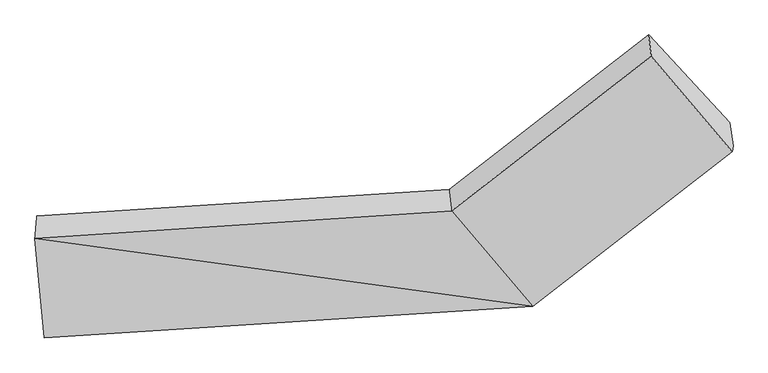
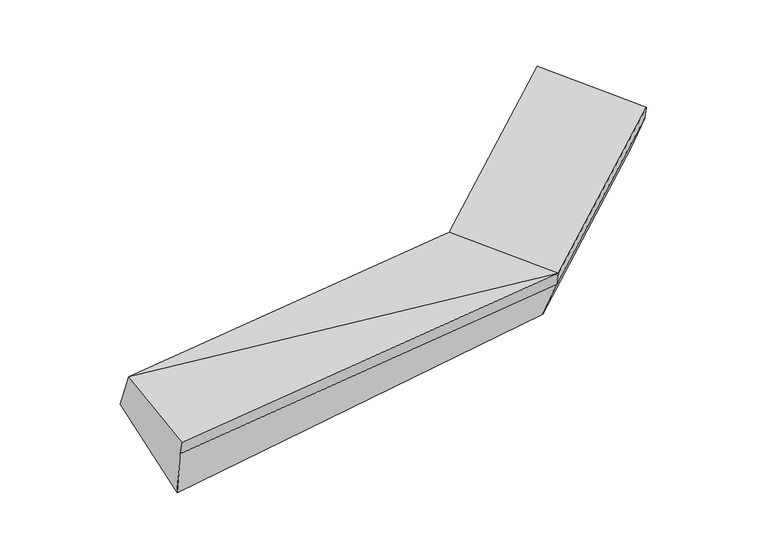
"""IFC4 building model written with IfcOpenShell, lengths in millimetres: proxy geometry."""

import ifcopenshell
import ifcopenshell.guid

model = None  # the IFC model being written
_history = None  # IfcOwnerHistory: only IFC2X3 demands one
_inside = {}  # id of a spatial element -> (the spatial element, [elements in it])
_under = {}  # id of a project, library or spatial element -> (it, [spatial elements below it])
_declared = {}  # id of a project -> (the project, [libraries it declares])
_typed = {}  # id of a type object -> (the type object, [elements of that type])
_made_of = {}  # id of a material, layer set ... -> (it, [elements and type objects made of it])


def new_model(schema):
    """Start an empty IFC model of exactly this schema.

    Asked for "IFC4X3", IfcOpenShell would pick the latest addendum, in which some entities
    have other attributes; the version numbers below select the first issue.
    IFC2X3 requires an IfcOwnerHistory on every rooted entity: one is made here for all.
    """
    global model, _history
    if schema == "IFC4X3":
        model = ifcopenshell.file(schema_version=(4, 3, 0, 0))
    else:
        model = ifcopenshell.file(schema=schema)
    _inside.clear()
    _under.clear()
    _declared.clear()
    _typed.clear()
    _made_of.clear()
    _history = None
    if model.schema == "IFC2X3":
        org = make("IfcOrganization", Name="unknown")
        user = make(
            "IfcPersonAndOrganization",
            ThePerson=make("IfcPerson", FamilyName="unknown"),
            TheOrganization=org,
        )
        app = make(
            "IfcApplication",
            ApplicationDeveloper=org,
            Version="unknown",
            ApplicationFullName="unknown",
            ApplicationIdentifier="unknown",
        )
        _history = make(
            "IfcOwnerHistory",
            OwningUser=user,
            OwningApplication=app,
            ChangeAction="ADDED",
            CreationDate=0,
        )
    return model


def make(cls, **values):
    """One entity of the class cls with the attributes given. An attribute that is None is left unset."""
    return model.create_entity(
        cls, **{name: value for name, value in values.items() if value is not None}
    )


def rooted(cls, **values):
    """An entity with a GlobalId (a new one), such as an element, a storey or a relation."""
    return make(cls, GlobalId=ifcopenshell.guid.new(), OwnerHistory=_history, **values)


def si_unit(unit_type, name, prefix=None):
    """IfcSIUnit, for example si_unit("LENGTHUNIT", "METRE", prefix="MILLI")."""
    return make("IfcSIUnit", UnitType=unit_type, Prefix=prefix, Name=name)


def assignment(units):
    """IfcUnitAssignment: the units of a project."""
    return None if units is None else make("IfcUnitAssignment", Units=units)


def point(xyz):
    """IfcCartesianPoint."""
    return None if xyz is None else make("IfcCartesianPoint", Coordinates=xyz)


def direction(xyz):
    """IfcDirection."""
    return None if xyz is None else make("IfcDirection", DirectionRatios=xyz)


def frame(location, z_axis=None, x_axis=None):
    """IfcAxis2Placement3D, a coordinate frame: its origin and axes. An axis left out is left unset."""
    return make(
        "IfcAxis2Placement3D",
        Location=point(location),
        Axis=direction(z_axis),
        RefDirection=direction(x_axis),
    )


def origin():
    """The frame at (0, 0, 0) with its axes left unset."""
    return frame((0.0, 0.0, 0.0))


def place(relative_to, where):
    """IfcLocalPlacement: puts the frame where relative to a parent placement (None: the world)."""
    return make(
        "IfcLocalPlacement", PlacementRelTo=relative_to, RelativePlacement=where
    )


def context(
    kind, dimensions, precision=None, world=None, true_north=None, identifier=None
):
    """IfcGeometricRepresentationContext, for example the 3D "Model" context."""
    return make(
        "IfcGeometricRepresentationContext",
        ContextIdentifier=identifier,
        ContextType=kind,
        CoordinateSpaceDimension=dimensions,
        Precision=precision,
        WorldCoordinateSystem=world,
        TrueNorth=true_north,
    )


def project(units=None, contexts=None):
    """IfcProject with its units and contexts."""
    return rooted(
        "IfcProject",
        Name="project",
        RepresentationContexts=contexts,
        UnitsInContext=assignment(units),
    )


def spatial(cls, under=None, at=None, **own):
    """A site, building, storey or space (cls), placed at a placement, below another one or the project."""
    s = rooted(cls, ObjectPlacement=at, **own)
    if under is not None:
        _under.setdefault(under.id(), (under, []))[1].append(s)
    return s


def shape(context_of_items, identifier, shape_type, items):
    """IfcShapeRepresentation: the items that make up one representation, for example the "Body"."""
    return make(
        "IfcShapeRepresentation",
        ContextOfItems=context_of_items,
        RepresentationIdentifier=identifier,
        RepresentationType=shape_type,
        Items=items,
    )


def source(mapping_origin, context_of_items, identifier, shape_type, items):
    """IfcRepresentationMap: a shape defined once, which mapped items show again and again."""
    return make(
        "IfcRepresentationMap",
        MappingOrigin=mapping_origin,
        MappedRepresentation=shape(context_of_items, identifier, shape_type, items),
    )


def transform(
    local_origin,
    x_axis=None,
    y_axis=None,
    z_axis=None,
    scale=None,
    scale2=None,
    scale3=None,
    uniform=True,
):
    """IfcCartesianTransformationOperator3D, or its non-uniform kind. x_axis, y_axis, z_axis: its Axis1, 2, 3."""
    if uniform:
        return make(
            "IfcCartesianTransformationOperator3D",
            Axis1=direction(x_axis),
            Axis2=direction(y_axis),
            LocalOrigin=point(local_origin),
            Scale=scale,
            Axis3=direction(z_axis),
        )
    return make(
        "IfcCartesianTransformationOperator3DnonUniform",
        Axis1=direction(x_axis),
        Axis2=direction(y_axis),
        LocalOrigin=point(local_origin),
        Scale=scale,
        Axis3=direction(z_axis),
        Scale2=scale2,
        Scale3=scale3,
    )


def mapped(mapping_source, mapping_target):
    """IfcMappedItem: shows the shape of a source again, moved by a transform."""
    return make(
        "IfcMappedItem", MappingSource=mapping_source, MappingTarget=mapping_target
    )


def made_of(thing, what):
    """Note that an element or type object is made of a material, layer set ...; save() writes the relation."""
    if what is not None:
        _made_of.setdefault(what.id(), (what, []))[1].append(thing)
    return thing


def element(
    cls,
    number,
    at=None,
    inside=None,
    cuts=None,
    type_object=None,
    material=None,
    context=None,
    identifier="Body",
    shape_type=None,
    held_by="IfcProductDefinitionShape",
    body=None,
    shapes=None,
    **own,
):
    """One element of the class cls, such as IfcWall. Its Tag is "e" and its number.

    at: its placement. inside: the storey or other place that contains it. cuts: it is an
    opening in that element (IfcRelVoidsElement). A single representation is given by context,
    identifier, shape_type and body (its items); several are given by shapes. held_by: the class
    of the entity that holds the representations. save() writes the other relations.
    """
    e = rooted(cls, Tag="e%d" % number, ObjectPlacement=at, **own)
    if body is not None:
        shapes = [shape(context, identifier, shape_type, body)]
    if shapes is not None:
        e.Representation = make(held_by, Representations=shapes)
    if inside is not None:
        _inside.setdefault(inside.id(), (inside, []))[1].append(e)
    if cuts is not None:
        rooted(
            "IfcRelVoidsElement", RelatingBuildingElement=cuts, RelatedOpeningElement=e
        )
    if type_object is not None:
        _typed.setdefault(type_object.id(), (type_object, []))[1].append(e)
    return made_of(e, material)


def aggregate(whole, parts):
    """IfcRelAggregates: a whole, such as a stair, and the parts it consists of."""
    return rooted("IfcRelAggregates", RelatingObject=whole, RelatedObjects=parts)


def save(model, path):
    """Write the relations noted so far, then the file.

    IfcRelAggregates (storeys below a building ...), IfcRelContainedInSpatialStructure (elements
    in a storey), IfcRelDefinesByType, IfcRelAssociatesMaterial and IfcRelDeclares: one each for
    every whole, place, type object, material and project.
    """
    for whole, parts in _under.values():
        aggregate(whole, parts)
    for where, things in _inside.values():
        rooted(
            "IfcRelContainedInSpatialStructure",
            RelatedElements=things,
            RelatingStructure=where,
        )
    for kind, things in _typed.values():
        rooted("IfcRelDefinesByType", RelatedObjects=things, RelatingType=kind)
    for what, things in _made_of.values():
        rooted("IfcRelAssociatesMaterial", RelatedObjects=things, RelatingMaterial=what)
    for by, libraries in _declared.values():
        rooted("IfcRelDeclares", RelatingContext=by, RelatedDefinitions=libraries)
    model.write(path)


def plane_surface(at):
    """IfcPlane: the flat surface through the origin of the frame at, square to its z axis."""
    return make("IfcPlane", Position=at)


def spline_surface(u_degree, v_degree, points, u_multiplicities, v_multiplicities, u_knots, v_knots, weights=None):
    """IfcBSplineSurfaceWithKnots; with weights, IfcRationalBSplineSurfaceWithKnots. points: one row for each step in u."""
    own = dict(
        UDegree=u_degree,
        VDegree=v_degree,
        ControlPointsList=[[point(p) for p in row] for row in points],
        SurfaceForm="UNSPECIFIED",
        UClosed=False,
        VClosed=False,
        SelfIntersect=False,
        UMultiplicities=u_multiplicities,
        VMultiplicities=v_multiplicities,
        UKnots=u_knots,
        VKnots=v_knots,
        KnotSpec="UNSPECIFIED",
    )
    if weights is None:
        return make("IfcBSplineSurfaceWithKnots", **own)
    return make("IfcRationalBSplineSurfaceWithKnots", WeightsData=weights, **own)


def advanced_brep(points, edges, surfaces, faces):
    """IfcAdvancedBrep: a solid bounded by faces that lie on surfaces and meet in shared edges.

    An edge is (start, end): straight between two places in points (the first is 0);
    or (start, end, curve); or (start, end, curve, False) where it runs against its curve.
    A face is (place in surfaces, loops), or (place, loops, False) where it looks against
    its surface's normal. A loop lists edges by number (the first is 1), with a minus sign
    where the edge is run from its end to its start. The first loop is the outer one.
    """
    corners = [point(p) for p in points]
    vertices = [make("IfcVertexPoint", VertexGeometry=c) for c in corners]
    made = []
    for start, end, *more in edges:
        made.append(
            make(
                "IfcEdgeCurve",
                EdgeStart=vertices[start],
                EdgeEnd=vertices[end],
                EdgeGeometry=more[0] if more else make("IfcPolyline", Points=[corners[start], corners[end]]),
                SameSense=more[1] if len(more) > 1 else True,
            )
        )
    hull = []
    for where, loops, *sense in faces:
        bounds = []
        for j, loop in enumerate(loops):
            ring = [make("IfcOrientedEdge", EdgeElement=made[abs(k) - 1], Orientation=k > 0) for k in loop]
            bounds.append(
                make(
                    "IfcFaceOuterBound" if j == 0 else "IfcFaceBound",
                    Bound=make("IfcEdgeLoop", EdgeList=ring),
                    Orientation=True,
                )
            )
        hull.append(make("IfcAdvancedFace", Bounds=bounds, FaceSurface=surfaces[where], SameSense=sense[0] if sense else True))
    return make("IfcAdvancedBrep", Outer=make("IfcClosedShell", CfsFaces=hull))


def generic_models_7d53c77e(model_context):
    return source(origin(), model_context, "Body", "AdvancedBrep", [
        advanced_brep(
        [(-2564.334211, -1706.5366996, 1610.3267733), (-2577.7305437, -1859.6233377, 1962.5271137), (295.8316745, -1670.5248361, 2156.1301897), (278.6794991, -1522.7661942, 1807.3381036), (-2513.7244845, -2547.6433439, 1760.2112827), (854.3246602, -2329.0445383, 1986.3144459), (-2507.303286, -2507.6398613, 1626.2019935), (860.2762734, -2291.9665293, 1862.1053194), (-2484.8463544, -2417.3245709, 1209.2503684), (835.9208069, -2129.0597238, 1497.0313506), (2235.5611207, -1224.7306088, 2246.5871024), (2211.2056542, -1061.8238033, 1881.5131336), (1653.9643464, -455.5302737, 2191.8198866), (1671.1165219, -603.2889156, 2540.6119728), (2229.6095075, -1261.8086177, 2370.796229)],
        [
            (0, 1),
            (1, 2),
            (2, 3),
            (3, 0),
            (1, 4),
            (4, 5),
            (5, 1),
            (4, 6),
            (6, 7),
            (7, 5),
            (6, 8),
            (8, 9),
            (9, 7),
            (8, 0),
            (3, 9),
            (10, 11),
            (11, 12),
            (12, 13),
            (13, 14),
            (14, 10),
            (5, 2),
            (9, 11),
            (10, 7),
            (3, 12),
            (2, 13),
            (5, 14),
        ],
        [
            spline_surface(1, 1, [[(-2564.334211, -1706.5366996, 1610.3267733), (278.6794991, -1522.7661942, 1807.3381036)], [(-2577.7305437, -1859.6233377, 1962.5271137), (295.8316745, -1670.5248361, 2156.1301897)]], [2, 2], [2, 2], [0.0, 1.0], [0.0, 1.0]),
            plane_surface(frame((-2545.7275141, -2203.6333408, 1861.3691982), z_axis=(-0.04571505403608076, -0.28572822537745246, 0.9572196796227761), x_axis=(0.08889730441024343, -0.9555833419260549, -0.28099420973042316))),
            plane_surface(frame((-2510.5138853, -2527.6416026, 1693.2066381), z_axis=(0.08095641801121622, -0.9561289895234257, -0.281537588566263), x_axis=(0.0458657032049744, 0.2857391611210942, -0.9572092086222983))),
            spline_surface(1, 1, [[(-2507.303286, -2507.6398613, 1626.2019935), (860.2762734, -2291.9665293, 1862.1053194)], [(-2484.8463544, -2417.3245709, 1209.2503684), (835.9208069, -2129.0597238, 1497.0313506)]], [2, 2], [2, 2], [0.0, 1.0], [0.0, 1.0]),
            spline_surface(1, 1, [[(-2484.8463544, -2417.3245709, 1209.2503684), (835.9208069, -2129.0597238, 1497.0313506)], [(-2564.334211, -1706.5366996, 1610.3267733), (278.6794991, -1522.7661942, 1807.3381036)]], [2, 2], [2, 2], [0.0, 1.0], [0.0, 1.0]),
            plane_surface(frame((2000.2914301, -921.4364438, 2246.2656649), z_axis=(0.7714365126689597, 0.59864307989814, 0.21566680275652816), x_axis=(-0.06081064705402862, 0.4067451655197194, -0.9115154609392023))),
            plane_surface(frame((-2529.5877759, -2207.7535627, 1633.7035063), z_axis=(-0.9949842242659424, -0.0722053213773492, -0.06922994313658637), x_axis=(0.09693641055164065, -0.8668144772186427, -0.4891175670465487))),
            plane_surface(frame((-2577.7305437, -1859.6233377, 1962.5271137), z_axis=(-0.04569911777297739, -0.2856098831914028, 0.9572557574954381), x_axis=(0.63465112005784, -0.7483178433605888, -0.1929724361598998))),
            plane_surface(frame((848.0985401, -2210.5131266, 1679.568335), z_axis=(0.6333938522957379, -0.6900614706070732, -0.3501819450765113), x_axis=(-0.06081064705402862, 0.4067451655197194, -0.9115154609392023))),
            plane_surface(frame((557.300153, -1825.912959, 1652.1847271), z_axis=(-0.06250636731416376, 0.40859137562836106, -0.9105745668572732), x_axis=(-0.633228758796013, 0.6889699199908523, 0.3526213101635512))),
            plane_surface(frame((287.2555868, -1596.6455151, 1981.7341466), z_axis=(-0.6346964504008273, 0.6998442463613668, 0.327686506715612), x_axis=(0.04523408858100774, -0.3896722901682142, 0.9198420426928228))),
            plane_surface(frame((575.0781674, -1999.7846872, 2071.2223178), z_axis=(-0.04586570320504384, -0.28573916112116193, 0.9572092086222749), x_axis=(0.6346511200578399, -0.7483178433605888, -0.1929724361598998))),
            plane_surface(frame((857.3004668, -2310.5055338, 1924.2098826), z_axis=(0.6346511200578391, -0.7483178433605819, -0.19297243615992973), x_axis=(0.04586570320490882, 0.28573916112109504, -0.9572092086223012))),
        ],
        [
            (0, [[1, 2, 3, 4]]),
            (1, [[5, 6, 7]]),
            (2, [[8, 9, 10, -6]]),
            (3, [[11, 12, 13, -9]]),
            (4, [[14, -4, 15, -12]]),
            (5, [[16, 17, 18, 19, 20]]),
            (6, [[-14, -11, -8, -5, -1]]),
            (7, [[21, -2, -7]]),
            (8, [[-13, 22, -16, 23]]),
            (9, [[-15, 24, -17, -22]]),
            (10, [[-3, 25, -18, -24]]),
            (11, [[-21, 26, -19, -25]]),
            (12, [[-10, -23, -20, -26]]),
        ],
    ),
    ])


if __name__ == "__main__":
    model = new_model("IFC4")
    model_context = context("Model", 3, world=origin())
    ifc_project = project(units=[si_unit("LENGTHUNIT", "METRE", prefix="MILLI")], contexts=[model_context])
    site = spatial("IfcSite", under=ifc_project)
    building = spatial("IfcBuilding", under=site)
    placement = place(None, origin())
    generic_models_shape = generic_models_7d53c77e(model_context)
    element("IfcBuildingElementProxy", 1, Name="Generic Models", at=placement, inside=building, context=model_context, shape_type="MappedRepresentation", body=[
        mapped(generic_models_shape, transform((0.0, 0.0, 0.0), x_axis=(1.0, 0.0, 0.0), y_axis=(0.0, 1.0, 0.0), z_axis=(0.0, 0.0, 1.0))),
    ])
    save(model, "model.ifc")
